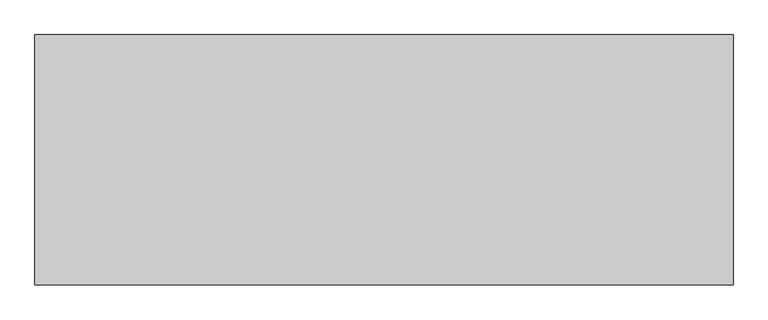
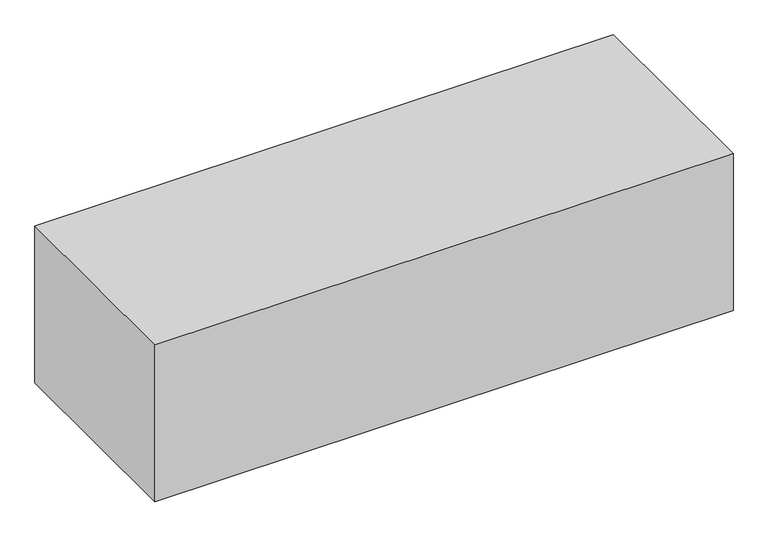
"""IFC4 building model written with IfcOpenShell, lengths in millimetres: geographic element geometry."""

from ifc_helpers import new_model, si_unit, origin, origin_with_axes, place, context, project, spatial, polyline, outline, extrude, source, transform, mapped, element, save


def geographic_element_c6e1ca96(model_context):
    return source(origin(), model_context, "Body", "SweptSolid", [
        extrude(outline(polyline([(0.0, 0.0), (0.0, 500.0), (1393.736664, 500.0), (1393.736664, 0.0), (0.0, 0.0)])), origin_with_axes(), (0.0, 0.0, 1.0), 400.0),
    ])


if __name__ == "__main__":
    model = new_model("IFC4")
    model_context = context("Model", 3, world=origin())
    ifc_project = project(units=[si_unit("LENGTHUNIT", "METRE", prefix="MILLI")], contexts=[model_context])
    site = spatial("IfcSite", under=ifc_project)
    building = spatial("IfcBuilding", under=site)
    placement = place(None, origin())
    geographic_element_shape = geographic_element_c6e1ca96(model_context)
    element("IfcGeographicElement", 1, at=placement, inside=building, context=model_context, shape_type="MappedRepresentation", body=[
        mapped(geographic_element_shape, transform((0.0, 0.0, 0.0), x_axis=(1.0, 0.0, 0.0), y_axis=(0.0, 1.0, 0.0), z_axis=(0.0, 0.0, 1.0))),
    ])
    save(model, "model.ifc")
